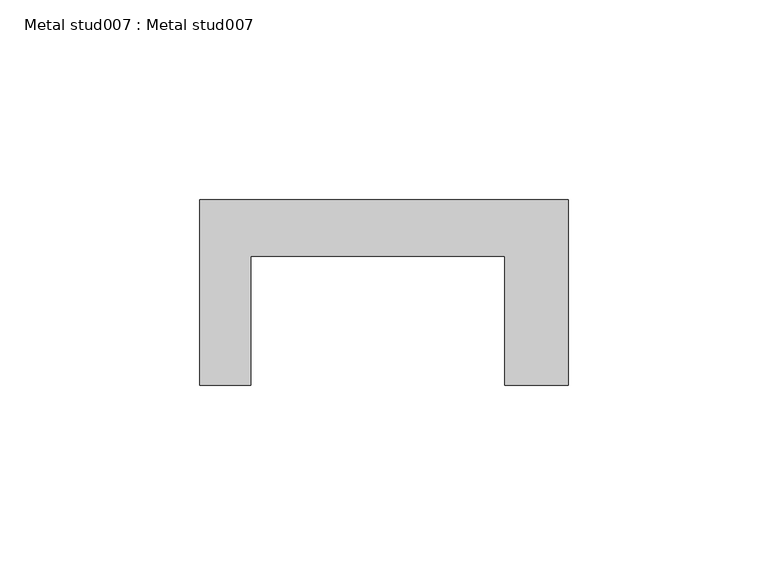
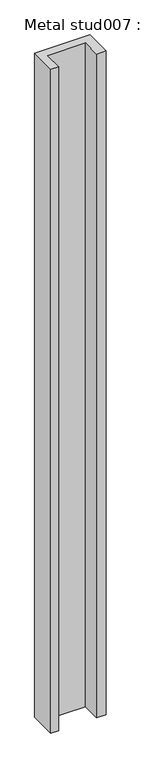
"""IFC4 building model written with IfcOpenShell, lengths in millimetres: proxy geometry, Metal stud007 : Metal stud007."""

from ifc_helpers import new_model, si_unit, frame, origin, place, context, project, spatial, polyline, outline, extrude, source, transform, mapped, element, save


def metal_stud007_metal_stud007_56cabe4a(model_context):
    return source(origin(), model_context, "Body", "SweptSolid", [
        extrude(outline(polyline([(37255.3693516, -19272.0264268), (37347.4443516, -19272.0264268), (37347.4443516, -19318.3775011), (37331.5693516, -19318.3775011), (37331.5693516, -19286.1674181), (37268.0693516, -19286.1674181), (37268.0693516, -19318.3775011), (37255.3693516, -19318.3775011), (37255.3693516, -19272.0264268)])), frame((0.0, 0.0, 152.4), z_axis=(0.0, 0.0, 1.0), x_axis=(1.0, 0.0, 0.0)), (0.0, 0.0, 1.0), 1168.4),
    ])


if __name__ == "__main__":
    model = new_model("IFC4")
    model_context = context("Model", 3, world=origin())
    ifc_project = project(units=[si_unit("LENGTHUNIT", "METRE", prefix="MILLI")], contexts=[model_context])
    site = spatial("IfcSite", under=ifc_project)
    building = spatial("IfcBuilding", under=site)
    placement = place(None, origin())
    metal_stud007_metal_stud007_shape = metal_stud007_metal_stud007_56cabe4a(model_context)
    element("IfcBuildingElementProxy", 1, Name="Metal stud007 : Metal stud007", ObjectType="Metal stud007 : Metal stud007", at=placement, inside=building, context=model_context, shape_type="MappedRepresentation", body=[
        mapped(metal_stud007_metal_stud007_shape, transform((0.0, 0.0, 0.0), x_axis=(1.0, 0.0, 0.0), y_axis=(0.0, 1.0, 0.0), z_axis=(0.0, 0.0, 1.0))),
    ])
    save(model, "model.ifc")
